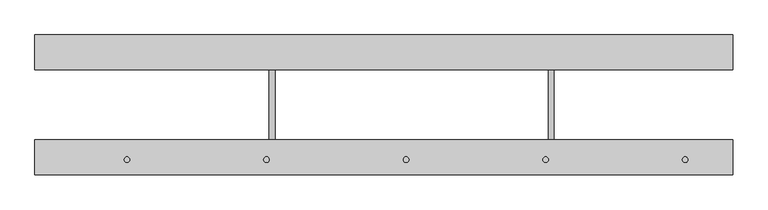
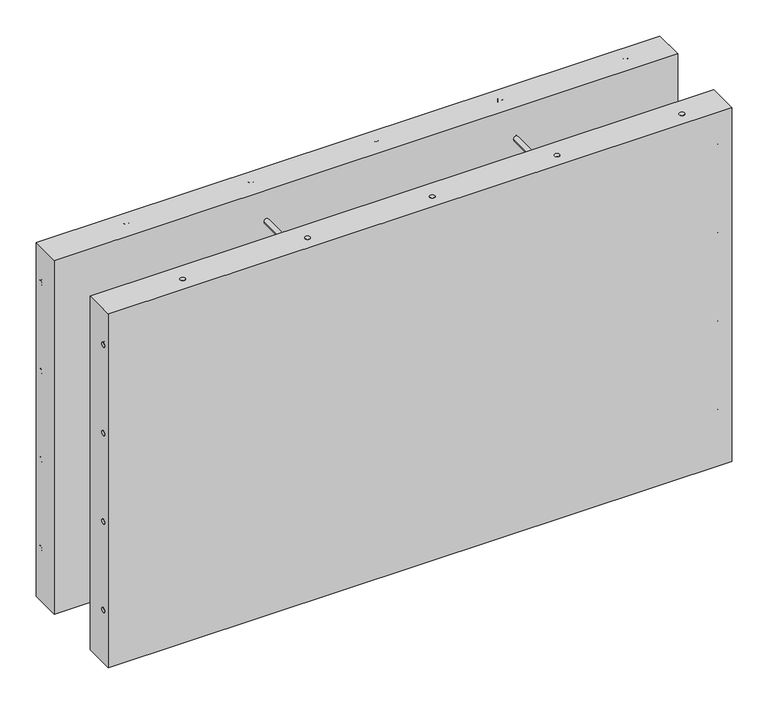
"""IFC4 building model written with IfcOpenShell, lengths in millimetres: proxy geometry."""

from ifc_helpers import new_model, si_unit, point, frame, frame_2d, origin, place, context, project, spatial, polyline, circle_curve, trimmed, segment, composite_curve, outline, extrude, source, transform, mapped, element, save


def generic_models_7f21375c(model_context):
    return source(origin(), model_context, "Body", "SweptSolid", [
        extrude(outline(polyline([(2500.0, -50.0), (1500.0, -50.0), (1500.0, 0.0), (2500.0, 0.0), (2500.0, -50.0)])), frame((0.0, 0.0, -315.0), z_axis=(0.0, 0.0, 1.0), x_axis=(1.0, 0.0, 0.0)), (0.0, 0.0, 1.0), 600.0),
        extrude(outline(composite_curve([segment(trimmed(circle_curve(frame_2d((-13.3180289, -75.0)), 4.0), [point((-9.3180289, -75.0))], [point((-17.3180289, -75.0))], False, "CARTESIAN"), True, "CONTINUOUS"), segment(trimmed(circle_curve(frame_2d((-13.3180289, -75.0)), 4.0), [point((-17.3180289, -75.0))], [point((-9.3180289, -75.0))], False, "CARTESIAN"), True, "CONTINUOUS")], self_intersect=False)), frame((1500.0, 0.0, 0.0), z_axis=(1.0, 0.0, 0.0), x_axis=(0.0, 1.0, 0.0)), (0.0, 0.0, 1.0), 985.0),
        extrude(outline(composite_curve([segment(trimmed(circle_curve(frame_2d((-13.3180289, -225.0)), 4.0), [point((-9.3180289, -225.0))], [point((-17.3180289, -225.0))], False, "CARTESIAN"), True, "CONTINUOUS"), segment(trimmed(circle_curve(frame_2d((-13.3180289, -225.0)), 4.0), [point((-17.3180289, -225.0))], [point((-9.3180289, -225.0))], False, "CARTESIAN"), True, "CONTINUOUS")], self_intersect=False)), frame((1500.0, 0.0, 0.0), z_axis=(1.0, 0.0, 0.0), x_axis=(0.0, 1.0, 0.0)), (0.0, 0.0, 1.0), 985.0),
        extrude(outline(composite_curve([segment(trimmed(circle_curve(frame_2d((-66.9563489, 1839.993039)), 4.0), [point((-66.9563489, 1835.993039))], [point((-66.9563489, 1843.993039))], False, "CARTESIAN"), True, "CONTINUOUS"), segment(trimmed(circle_curve(frame_2d((-66.9563489, 1839.993039)), 4.0), [point((-66.9563489, 1843.993039))], [point((-66.9563489, 1835.993039))], False, "CARTESIAN"), True, "CONTINUOUS")], self_intersect=False)), frame((0.0, -194.0716324, 0.0), z_axis=(0.0, 1.0, 0.0), x_axis=(0.0, 0.0, 1.0)), (0.0, 0.0, 1.0), 178.7626126),
        extrude(outline(composite_curve([segment(trimmed(circle_curve(frame_2d((-66.9563489, 2239.993039)), 4.0), [point((-66.9563489, 2235.993039))], [point((-66.9563489, 2243.993039))], False, "CARTESIAN"), True, "CONTINUOUS"), segment(trimmed(circle_curve(frame_2d((-66.9563489, 2239.993039)), 4.0), [point((-66.9563489, 2243.993039))], [point((-66.9563489, 2235.993039))], False, "CARTESIAN"), True, "CONTINUOUS")], self_intersect=False)), frame((0.0, -194.0716324, 0.0), z_axis=(0.0, 1.0, 0.0), x_axis=(0.0, 0.0, 1.0)), (0.0, 0.0, 1.0), 178.7626126),
        extrude(outline(composite_curve([segment(trimmed(circle_curve(frame_2d((-186.6819711, -75.0)), 4.0), [point((-190.6819711, -75.0))], [point((-182.6819711, -75.0))], False, "CARTESIAN"), True, "CONTINUOUS"), segment(trimmed(circle_curve(frame_2d((-186.6819711, -75.0)), 4.0), [point((-182.6819711, -75.0))], [point((-190.6819711, -75.0))], False, "CARTESIAN"), True, "CONTINUOUS")], self_intersect=False)), frame((1500.0, 0.0, 0.0), z_axis=(1.0, 0.0, 0.0), x_axis=(0.0, 1.0, 0.0)), (0.0, 0.0, 1.0), 985.0),
        extrude(outline(composite_curve([segment(trimmed(circle_curve(frame_2d((-216.9563489, 1839.993039)), 4.0), [point((-216.9563489, 1835.993039))], [point((-216.9563489, 1843.993039))], False, "CARTESIAN"), True, "CONTINUOUS"), segment(trimmed(circle_curve(frame_2d((-216.9563489, 1839.993039)), 4.0), [point((-216.9563489, 1843.993039))], [point((-216.9563489, 1835.993039))], False, "CARTESIAN"), True, "CONTINUOUS")], self_intersect=False)), frame((0.0, -194.0716324, 0.0), z_axis=(0.0, 1.0, 0.0), x_axis=(0.0, 0.0, 1.0)), (0.0, 0.0, 1.0), 178.7626126),
        extrude(outline(composite_curve([segment(trimmed(circle_curve(frame_2d((-216.9563489, 2239.993039)), 4.0), [point((-216.9563489, 2235.993039))], [point((-216.9563489, 2243.993039))], False, "CARTESIAN"), True, "CONTINUOUS"), segment(trimmed(circle_curve(frame_2d((-216.9563489, 2239.993039)), 4.0), [point((-216.9563489, 2243.993039))], [point((-216.9563489, 2235.993039))], False, "CARTESIAN"), True, "CONTINUOUS")], self_intersect=False)), frame((0.0, -194.0716324, 0.0), z_axis=(0.0, 1.0, 0.0), x_axis=(0.0, 0.0, 1.0)), (0.0, 0.0, 1.0), 178.7626126),
        extrude(outline(composite_curve([segment(trimmed(circle_curve(frame_2d((-186.6819711, -225.0)), 4.0), [point((-190.6819711, -225.0))], [point((-182.6819711, -225.0))], False, "CARTESIAN"), True, "CONTINUOUS"), segment(trimmed(circle_curve(frame_2d((-186.6819711, -225.0)), 4.0), [point((-182.6819711, -225.0))], [point((-190.6819711, -225.0))], False, "CARTESIAN"), True, "CONTINUOUS")], self_intersect=False)), frame((1500.0, 0.0, 0.0), z_axis=(1.0, 0.0, 0.0), x_axis=(0.0, 1.0, 0.0)), (0.0, 0.0, 1.0), 985.0),
        extrude(outline(composite_curve([segment(trimmed(circle_curve(frame_2d((-13.3180289, 225.0)), 4.0), [point((-9.3180289, 225.0))], [point((-17.3180289, 225.0))], False, "CARTESIAN"), True, "CONTINUOUS"), segment(trimmed(circle_curve(frame_2d((-13.3180289, 225.0)), 4.0), [point((-17.3180289, 225.0))], [point((-9.3180289, 225.0))], False, "CARTESIAN"), True, "CONTINUOUS")], self_intersect=False)), frame((1500.0, 0.0, 0.0), z_axis=(1.0, 0.0, 0.0), x_axis=(0.0, 1.0, 0.0)), (0.0, 0.0, 1.0), 985.0),
        extrude(outline(composite_curve([segment(trimmed(circle_curve(frame_2d((1632.0, -21.340625)), 4.0), [point((1628.0, -21.340625))], [point((1636.0, -21.340625))], False, "CARTESIAN"), True, "CONTINUOUS"), segment(trimmed(circle_curve(frame_2d((1632.0, -21.340625)), 4.0), [point((1636.0, -21.340625))], [point((1628.0, -21.340625))], False, "CARTESIAN"), True, "CONTINUOUS")], self_intersect=False)), frame((0.0, 0.0, 3.9331136), z_axis=(0.0, 0.0, 1.0), x_axis=(1.0, 0.0, 0.0)), (0.0, 0.0, 1.0), 281.0668864),
        extrude(outline(composite_curve([segment(trimmed(circle_curve(frame_2d((1832.0, -21.340625)), 4.0), [point((1828.0, -21.340625))], [point((1836.0, -21.340625))], False, "CARTESIAN"), True, "CONTINUOUS"), segment(trimmed(circle_curve(frame_2d((1832.0, -21.340625)), 4.0), [point((1836.0, -21.340625))], [point((1828.0, -21.340625))], False, "CARTESIAN"), True, "CONTINUOUS")], self_intersect=False)), frame((0.0, 0.0, 52.6677107), z_axis=(0.0, 0.0, 1.0), x_axis=(1.0, 0.0, 0.0)), (0.0, 0.0, 1.0), 232.3322893),
        extrude(outline(composite_curve([segment(trimmed(circle_curve(frame_2d((2032.0, -21.340625)), 4.0), [point((2028.0, -21.340625))], [point((2036.0, -21.340625))], False, "CARTESIAN"), True, "CONTINUOUS"), segment(trimmed(circle_curve(frame_2d((2032.0, -21.340625)), 4.0), [point((2036.0, -21.340625))], [point((2028.0, -21.340625))], False, "CARTESIAN"), True, "CONTINUOUS")], self_intersect=False)), frame((0.0, 0.0, -315.0), z_axis=(0.0, 0.0, 1.0), x_axis=(1.0, 0.0, 0.0)), (0.0, 0.0, 1.0), 600.0),
        extrude(outline(composite_curve([segment(trimmed(circle_curve(frame_2d((2232.0, -21.340625)), 4.0), [point((2228.0, -21.340625))], [point((2236.0, -21.340625))], False, "CARTESIAN"), True, "CONTINUOUS"), segment(trimmed(circle_curve(frame_2d((2232.0, -21.340625)), 4.0), [point((2236.0, -21.340625))], [point((2228.0, -21.340625))], False, "CARTESIAN"), True, "CONTINUOUS")], self_intersect=False)), frame((0.0, 0.0, -315.0), z_axis=(0.0, 0.0, 1.0), x_axis=(1.0, 0.0, 0.0)), (0.0, 0.0, 1.0), 600.0),
        extrude(outline(composite_curve([segment(trimmed(circle_curve(frame_2d((2432.0, -21.340625)), 4.0), [point((2428.0, -21.340625))], [point((2436.0, -21.340625))], False, "CARTESIAN"), True, "CONTINUOUS"), segment(trimmed(circle_curve(frame_2d((2432.0, -21.340625)), 4.0), [point((2436.0, -21.340625))], [point((2428.0, -21.340625))], False, "CARTESIAN"), True, "CONTINUOUS")], self_intersect=False)), frame((0.0, 0.0, -315.0), z_axis=(0.0, 0.0, 1.0), x_axis=(1.0, 0.0, 0.0)), (0.0, 0.0, 1.0), 600.0),
        extrude(outline(composite_curve([segment(trimmed(circle_curve(frame_2d((-13.3180289, 75.0)), 4.0), [point((-9.3180289, 75.0))], [point((-17.3180289, 75.0))], False, "CARTESIAN"), True, "CONTINUOUS"), segment(trimmed(circle_curve(frame_2d((-13.3180289, 75.0)), 4.0), [point((-17.3180289, 75.0))], [point((-9.3180289, 75.0))], False, "CARTESIAN"), True, "CONTINUOUS")], self_intersect=False)), frame((1500.0, 0.0, 0.0), z_axis=(1.0, 0.0, 0.0), x_axis=(0.0, 1.0, 0.0)), (0.0, 0.0, 1.0), 985.0),
        extrude(outline(composite_curve([segment(trimmed(circle_curve(frame_2d((233.0436511, 1839.993039)), 4.0), [point((233.0436511, 1835.993039))], [point((233.0436511, 1843.993039))], False, "CARTESIAN"), True, "CONTINUOUS"), segment(trimmed(circle_curve(frame_2d((233.0436511, 1839.993039)), 4.0), [point((233.0436511, 1843.993039))], [point((233.0436511, 1835.993039))], False, "CARTESIAN"), True, "CONTINUOUS")], self_intersect=False)), frame((0.0, -194.0716324, 0.0), z_axis=(0.0, 1.0, 0.0), x_axis=(0.0, 0.0, 1.0)), (0.0, 0.0, 1.0), 178.7626126),
        extrude(outline(composite_curve([segment(trimmed(circle_curve(frame_2d((233.0436511, 2239.993039)), 4.0), [point((233.0436511, 2235.993039))], [point((233.0436511, 2243.993039))], False, "CARTESIAN"), True, "CONTINUOUS"), segment(trimmed(circle_curve(frame_2d((233.0436511, 2239.993039)), 4.0), [point((233.0436511, 2243.993039))], [point((233.0436511, 2235.993039))], False, "CARTESIAN"), True, "CONTINUOUS")], self_intersect=False)), frame((0.0, -194.0716324, 0.0), z_axis=(0.0, 1.0, 0.0), x_axis=(0.0, 0.0, 1.0)), (0.0, 0.0, 1.0), 178.7626126),
        extrude(outline(composite_curve([segment(trimmed(circle_curve(frame_2d((-186.6819711, 225.0)), 4.0), [point((-190.6819711, 225.0))], [point((-182.6819711, 225.0))], False, "CARTESIAN"), True, "CONTINUOUS"), segment(trimmed(circle_curve(frame_2d((-186.6819711, 225.0)), 4.0), [point((-182.6819711, 225.0))], [point((-190.6819711, 225.0))], False, "CARTESIAN"), True, "CONTINUOUS")], self_intersect=False)), frame((1500.0, 0.0, 0.0), z_axis=(1.0, 0.0, 0.0), x_axis=(0.0, 1.0, 0.0)), (0.0, 0.0, 1.0), 985.0),
        extrude(outline(composite_curve([segment(trimmed(circle_curve(frame_2d((83.0436511, 1839.993039)), 4.0), [point((83.0436511, 1835.993039))], [point((83.0436511, 1843.993039))], False, "CARTESIAN"), True, "CONTINUOUS"), segment(trimmed(circle_curve(frame_2d((83.0436511, 1839.993039)), 4.0), [point((83.0436511, 1843.993039))], [point((83.0436511, 1835.993039))], False, "CARTESIAN"), True, "CONTINUOUS")], self_intersect=False)), frame((0.0, -194.0716324, 0.0), z_axis=(0.0, 1.0, 0.0), x_axis=(0.0, 0.0, 1.0)), (0.0, 0.0, 1.0), 178.7626126),
        extrude(outline(composite_curve([segment(trimmed(circle_curve(frame_2d((83.0436511, 2239.993039)), 4.0), [point((83.0436511, 2235.993039))], [point((83.0436511, 2243.993039))], False, "CARTESIAN"), True, "CONTINUOUS"), segment(trimmed(circle_curve(frame_2d((83.0436511, 2239.993039)), 4.0), [point((83.0436511, 2243.993039))], [point((83.0436511, 2235.993039))], False, "CARTESIAN"), True, "CONTINUOUS")], self_intersect=False)), frame((0.0, -194.0716324, 0.0), z_axis=(0.0, 1.0, 0.0), x_axis=(0.0, 0.0, 1.0)), (0.0, 0.0, 1.0), 178.7626126),
        extrude(outline(composite_curve([segment(trimmed(circle_curve(frame_2d((1632.0, -178.659375)), 4.0), [point((1628.0, -178.659375))], [point((1636.0, -178.659375))], False, "CARTESIAN"), True, "CONTINUOUS"), segment(trimmed(circle_curve(frame_2d((1632.0, -178.659375)), 4.0), [point((1636.0, -178.659375))], [point((1628.0, -178.659375))], False, "CARTESIAN"), True, "CONTINUOUS")], self_intersect=False)), frame((0.0, 0.0, -315.0), z_axis=(0.0, 0.0, 1.0), x_axis=(1.0, 0.0, 0.0)), (0.0, 0.0, 1.0), 600.0),
        extrude(outline(composite_curve([segment(trimmed(circle_curve(frame_2d((1832.0, -178.659375)), 4.0), [point((1828.0, -178.659375))], [point((1836.0, -178.659375))], False, "CARTESIAN"), True, "CONTINUOUS"), segment(trimmed(circle_curve(frame_2d((1832.0, -178.659375)), 4.0), [point((1836.0, -178.659375))], [point((1828.0, -178.659375))], False, "CARTESIAN"), True, "CONTINUOUS")], self_intersect=False)), frame((0.0, 0.0, -315.0), z_axis=(0.0, 0.0, 1.0), x_axis=(1.0, 0.0, 0.0)), (0.0, 0.0, 1.0), 600.0),
        extrude(outline(composite_curve([segment(trimmed(circle_curve(frame_2d((2032.0, -178.659375)), 4.0), [point((2028.0, -178.659375))], [point((2036.0, -178.659375))], False, "CARTESIAN"), True, "CONTINUOUS"), segment(trimmed(circle_curve(frame_2d((2032.0, -178.659375)), 4.0), [point((2036.0, -178.659375))], [point((2028.0, -178.659375))], False, "CARTESIAN"), True, "CONTINUOUS")], self_intersect=False)), frame((0.0, 0.0, -315.0), z_axis=(0.0, 0.0, 1.0), x_axis=(1.0, 0.0, 0.0)), (0.0, 0.0, 1.0), 600.0),
        extrude(outline(composite_curve([segment(trimmed(circle_curve(frame_2d((2232.0, -178.659375)), 4.0), [point((2228.0, -178.659375))], [point((2236.0, -178.659375))], False, "CARTESIAN"), True, "CONTINUOUS"), segment(trimmed(circle_curve(frame_2d((2232.0, -178.659375)), 4.0), [point((2236.0, -178.659375))], [point((2228.0, -178.659375))], False, "CARTESIAN"), True, "CONTINUOUS")], self_intersect=False)), frame((0.0, 0.0, -315.0), z_axis=(0.0, 0.0, 1.0), x_axis=(1.0, 0.0, 0.0)), (0.0, 0.0, 1.0), 600.0),
        extrude(outline(composite_curve([segment(trimmed(circle_curve(frame_2d((2432.0, -178.659375)), 4.0), [point((2428.0, -178.659375))], [point((2436.0, -178.659375))], False, "CARTESIAN"), True, "CONTINUOUS"), segment(trimmed(circle_curve(frame_2d((2432.0, -178.659375)), 4.0), [point((2436.0, -178.659375))], [point((2428.0, -178.659375))], False, "CARTESIAN"), True, "CONTINUOUS")], self_intersect=False)), frame((0.0, 0.0, -315.0), z_axis=(0.0, 0.0, 1.0), x_axis=(1.0, 0.0, 0.0)), (0.0, 0.0, 1.0), 600.0),
        extrude(outline(composite_curve([segment(trimmed(circle_curve(frame_2d((-186.6819711, 75.0)), 4.0), [point((-190.6819711, 75.0))], [point((-182.6819711, 75.0))], False, "CARTESIAN"), True, "CONTINUOUS"), segment(trimmed(circle_curve(frame_2d((-186.6819711, 75.0)), 4.0), [point((-182.6819711, 75.0))], [point((-190.6819711, 75.0))], False, "CARTESIAN"), True, "CONTINUOUS")], self_intersect=False)), frame((1500.0, 0.0, 0.0), z_axis=(1.0, 0.0, 0.0), x_axis=(0.0, 1.0, 0.0)), (0.0, 0.0, 1.0), 985.0),
        extrude(outline(polyline([(2500.0, -200.0), (1500.0, -200.0), (1500.0, -150.0), (2500.0, -150.0), (2500.0, -200.0)])), frame((0.0, 0.0, -315.0), z_axis=(0.0, 0.0, 1.0), x_axis=(1.0, 0.0, 0.0)), (0.0, 0.0, 1.0), 600.0),
    ])


if __name__ == "__main__":
    model = new_model("IFC4")
    model_context = context("Model", 3, world=origin())
    ifc_project = project(units=[si_unit("LENGTHUNIT", "METRE", prefix="MILLI")], contexts=[model_context])
    site = spatial("IfcSite", under=ifc_project)
    building = spatial("IfcBuilding", under=site)
    placement = place(None, origin())
    generic_models_shape = generic_models_7f21375c(model_context)
    element("IfcBuildingElementProxy", 1, Name="Generic Models", at=placement, inside=building, context=model_context, shape_type="MappedRepresentation", body=[
        mapped(generic_models_shape, transform((0.0, 0.0, 0.0), x_axis=(1.0, 0.0, 0.0), y_axis=(0.0, 1.0, 0.0), z_axis=(0.0, 0.0, 1.0))),
    ])
    save(model, "model.ifc")
